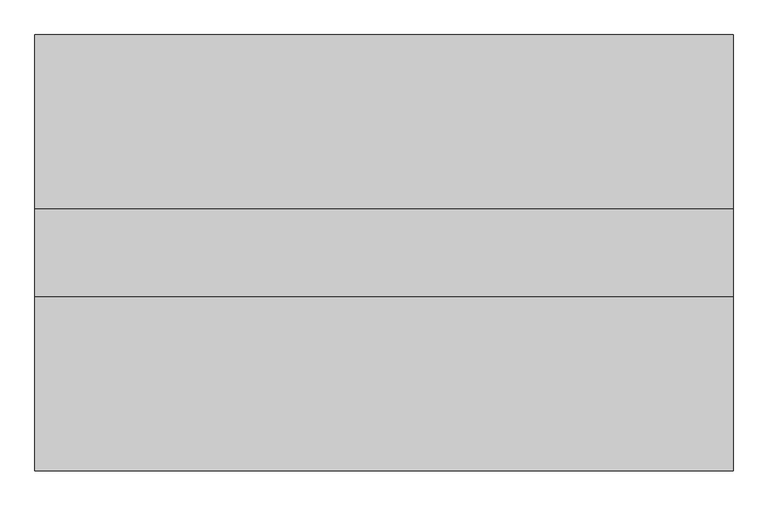
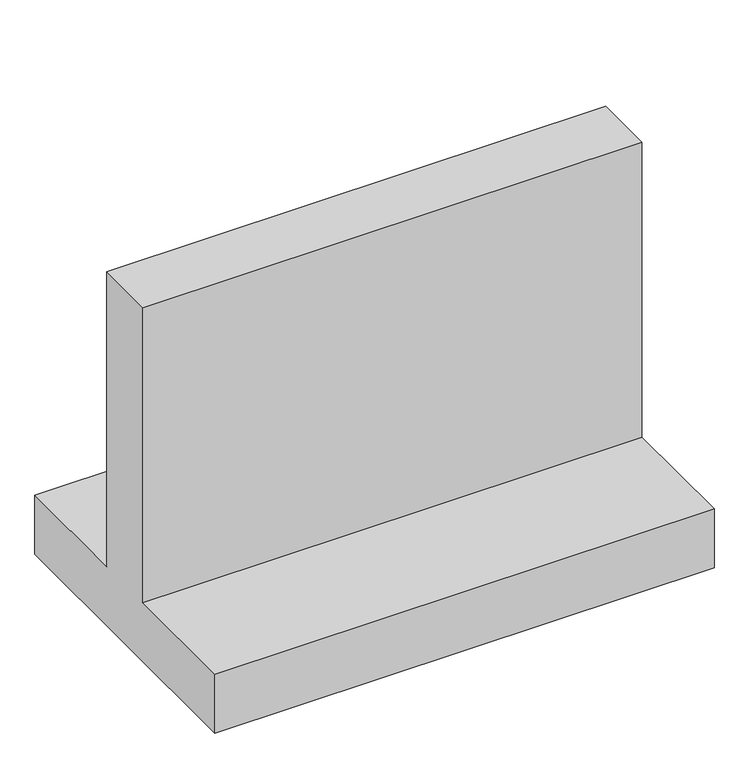
"""IFC4 building model written with IfcOpenShell, lengths in millimetres: proxy geometry."""

from ifc_helpers import new_model, si_unit, frame, origin, place, context, project, spatial, polyline, outline, extrude, source, transform, mapped, element, save


def generic_models_db80fa16(model_context):
    return source(origin(), model_context, "Body", "SweptSolid", [
        extrude(outline(polyline([(-56640.4472837, 0.0), (-56640.4472837, 152.4), (-56335.6472837, 152.4), (-56335.6472837, 914.4), (-56183.2472837, 914.4), (-56183.2472837, 152.4), (-55878.4472837, 152.4), (-55878.4472837, 0.0), (-56640.4472837, 0.0)])), frame((260568.8073237, 0.0, 0.0), z_axis=(1.0, 0.0, 0.0), x_axis=(0.0, 1.0, 0.0)), (0.0, 0.0, 1.0), 1219.2),
    ])


if __name__ == "__main__":
    model = new_model("IFC4")
    model_context = context("Model", 3, world=origin())
    ifc_project = project(units=[si_unit("LENGTHUNIT", "METRE", prefix="MILLI")], contexts=[model_context])
    site = spatial("IfcSite", under=ifc_project)
    building = spatial("IfcBuilding", under=site)
    placement = place(None, origin())
    generic_models_shape = generic_models_db80fa16(model_context)
    element("IfcBuildingElementProxy", 1, Name="Generic Models", at=placement, inside=building, context=model_context, shape_type="MappedRepresentation", body=[
        mapped(generic_models_shape, transform((0.0, 0.0, 0.0), x_axis=(1.0, 0.0, 0.0), y_axis=(0.0, 1.0, 0.0), z_axis=(0.0, 0.0, 1.0))),
    ])
    save(model, "model.ifc")
